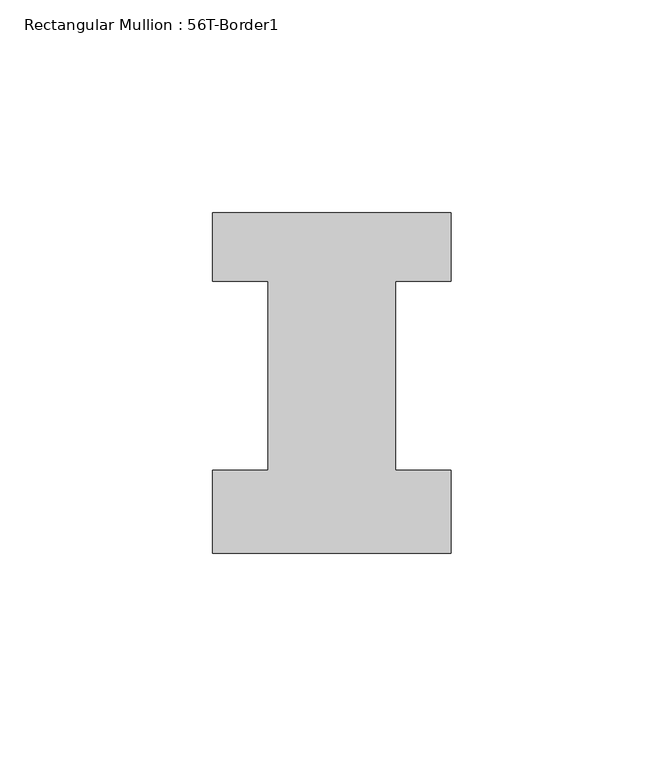
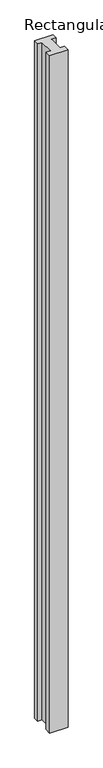
"""IFC4 building model written with IfcOpenShell, lengths in millimetres: member geometry, Rectangular Mullion : 56T-Border1."""

import ifcopenshell
import ifcopenshell.guid

model = None  # the IFC model being written
_history = None  # IfcOwnerHistory: only IFC2X3 demands one
_inside = {}  # id of a spatial element -> (the spatial element, [elements in it])
_under = {}  # id of a project, library or spatial element -> (it, [spatial elements below it])
_declared = {}  # id of a project -> (the project, [libraries it declares])
_typed = {}  # id of a type object -> (the type object, [elements of that type])
_made_of = {}  # id of a material, layer set ... -> (it, [elements and type objects made of it])


def new_model(schema):
    """Start an empty IFC model of exactly this schema.

    Asked for "IFC4X3", IfcOpenShell would pick the latest addendum, in which some entities
    have other attributes; the version numbers below select the first issue.
    IFC2X3 requires an IfcOwnerHistory on every rooted entity: one is made here for all.
    """
    global model, _history
    if schema == "IFC4X3":
        model = ifcopenshell.file(schema_version=(4, 3, 0, 0))
    else:
        model = ifcopenshell.file(schema=schema)
    _inside.clear()
    _under.clear()
    _declared.clear()
    _typed.clear()
    _made_of.clear()
    _history = None
    if model.schema == "IFC2X3":
        org = make("IfcOrganization", Name="unknown")
        user = make(
            "IfcPersonAndOrganization",
            ThePerson=make("IfcPerson", FamilyName="unknown"),
            TheOrganization=org,
        )
        app = make(
            "IfcApplication",
            ApplicationDeveloper=org,
            Version="unknown",
            ApplicationFullName="unknown",
            ApplicationIdentifier="unknown",
        )
        _history = make(
            "IfcOwnerHistory",
            OwningUser=user,
            OwningApplication=app,
            ChangeAction="ADDED",
            CreationDate=0,
        )
    return model


def make(cls, **values):
    """One entity of the class cls with the attributes given. An attribute that is None is left unset."""
    return model.create_entity(
        cls, **{name: value for name, value in values.items() if value is not None}
    )


def rooted(cls, **values):
    """An entity with a GlobalId (a new one), such as an element, a storey or a relation."""
    return make(cls, GlobalId=ifcopenshell.guid.new(), OwnerHistory=_history, **values)


def si_unit(unit_type, name, prefix=None):
    """IfcSIUnit, for example si_unit("LENGTHUNIT", "METRE", prefix="MILLI")."""
    return make("IfcSIUnit", UnitType=unit_type, Prefix=prefix, Name=name)


def assignment(units):
    """IfcUnitAssignment: the units of a project."""
    return None if units is None else make("IfcUnitAssignment", Units=units)


def point(xyz):
    """IfcCartesianPoint."""
    return None if xyz is None else make("IfcCartesianPoint", Coordinates=xyz)


def direction(xyz):
    """IfcDirection."""
    return None if xyz is None else make("IfcDirection", DirectionRatios=xyz)


def frame(location, z_axis=None, x_axis=None):
    """IfcAxis2Placement3D, a coordinate frame: its origin and axes. An axis left out is left unset."""
    return make(
        "IfcAxis2Placement3D",
        Location=point(location),
        Axis=direction(z_axis),
        RefDirection=direction(x_axis),
    )


def origin():
    """The frame at (0, 0, 0) with its axes left unset."""
    return frame((0.0, 0.0, 0.0))


def place(relative_to, where):
    """IfcLocalPlacement: puts the frame where relative to a parent placement (None: the world)."""
    return make(
        "IfcLocalPlacement", PlacementRelTo=relative_to, RelativePlacement=where
    )


def context(
    kind, dimensions, precision=None, world=None, true_north=None, identifier=None
):
    """IfcGeometricRepresentationContext, for example the 3D "Model" context."""
    return make(
        "IfcGeometricRepresentationContext",
        ContextIdentifier=identifier,
        ContextType=kind,
        CoordinateSpaceDimension=dimensions,
        Precision=precision,
        WorldCoordinateSystem=world,
        TrueNorth=true_north,
    )


def project(units=None, contexts=None):
    """IfcProject with its units and contexts."""
    return rooted(
        "IfcProject",
        Name="project",
        RepresentationContexts=contexts,
        UnitsInContext=assignment(units),
    )


def spatial(cls, under=None, at=None, **own):
    """A site, building, storey or space (cls), placed at a placement, below another one or the project."""
    s = rooted(cls, ObjectPlacement=at, **own)
    if under is not None:
        _under.setdefault(under.id(), (under, []))[1].append(s)
    return s


def polyline(points):
    """IfcPolyline through the points."""
    return make("IfcPolyline", Points=[point(p) for p in points])


def outline(outer, holes=None, kind="AREA"):
    """IfcArbitraryClosedProfileDef: a profile drawn as a closed curve; with holes, ...WithVoids."""
    if holes is None:
        return make("IfcArbitraryClosedProfileDef", ProfileType=kind, OuterCurve=outer)
    return make(
        "IfcArbitraryProfileDefWithVoids",
        ProfileType=kind,
        OuterCurve=outer,
        InnerCurves=holes,
    )


def extrude(swept, where, along, depth):
    """IfcExtrudedAreaSolid: the profile swept, set in the frame where, extruded along a direction by depth."""
    return make(
        "IfcExtrudedAreaSolid",
        SweptArea=swept,
        Position=where,
        ExtrudedDirection=direction(along),
        Depth=depth,
    )


def shape(context_of_items, identifier, shape_type, items):
    """IfcShapeRepresentation: the items that make up one representation, for example the "Body"."""
    return make(
        "IfcShapeRepresentation",
        ContextOfItems=context_of_items,
        RepresentationIdentifier=identifier,
        RepresentationType=shape_type,
        Items=items,
    )


def source(mapping_origin, context_of_items, identifier, shape_type, items):
    """IfcRepresentationMap: a shape defined once, which mapped items show again and again."""
    return make(
        "IfcRepresentationMap",
        MappingOrigin=mapping_origin,
        MappedRepresentation=shape(context_of_items, identifier, shape_type, items),
    )


def transform(
    local_origin,
    x_axis=None,
    y_axis=None,
    z_axis=None,
    scale=None,
    scale2=None,
    scale3=None,
    uniform=True,
):
    """IfcCartesianTransformationOperator3D, or its non-uniform kind. x_axis, y_axis, z_axis: its Axis1, 2, 3."""
    if uniform:
        return make(
            "IfcCartesianTransformationOperator3D",
            Axis1=direction(x_axis),
            Axis2=direction(y_axis),
            LocalOrigin=point(local_origin),
            Scale=scale,
            Axis3=direction(z_axis),
        )
    return make(
        "IfcCartesianTransformationOperator3DnonUniform",
        Axis1=direction(x_axis),
        Axis2=direction(y_axis),
        LocalOrigin=point(local_origin),
        Scale=scale,
        Axis3=direction(z_axis),
        Scale2=scale2,
        Scale3=scale3,
    )


def mapped(mapping_source, mapping_target):
    """IfcMappedItem: shows the shape of a source again, moved by a transform."""
    return make(
        "IfcMappedItem", MappingSource=mapping_source, MappingTarget=mapping_target
    )


def made_of(thing, what):
    """Note that an element or type object is made of a material, layer set ...; save() writes the relation."""
    if what is not None:
        _made_of.setdefault(what.id(), (what, []))[1].append(thing)
    return thing


def element(
    cls,
    number,
    at=None,
    inside=None,
    cuts=None,
    type_object=None,
    material=None,
    context=None,
    identifier="Body",
    shape_type=None,
    held_by="IfcProductDefinitionShape",
    body=None,
    shapes=None,
    **own,
):
    """One element of the class cls, such as IfcWall. Its Tag is "e" and its number.

    at: its placement. inside: the storey or other place that contains it. cuts: it is an
    opening in that element (IfcRelVoidsElement). A single representation is given by context,
    identifier, shape_type and body (its items); several are given by shapes. held_by: the class
    of the entity that holds the representations. save() writes the other relations.
    """
    e = rooted(cls, Tag="e%d" % number, ObjectPlacement=at, **own)
    if body is not None:
        shapes = [shape(context, identifier, shape_type, body)]
    if shapes is not None:
        e.Representation = make(held_by, Representations=shapes)
    if inside is not None:
        _inside.setdefault(inside.id(), (inside, []))[1].append(e)
    if cuts is not None:
        rooted(
            "IfcRelVoidsElement", RelatingBuildingElement=cuts, RelatedOpeningElement=e
        )
    if type_object is not None:
        _typed.setdefault(type_object.id(), (type_object, []))[1].append(e)
    return made_of(e, material)


def aggregate(whole, parts):
    """IfcRelAggregates: a whole, such as a stair, and the parts it consists of."""
    return rooted("IfcRelAggregates", RelatingObject=whole, RelatedObjects=parts)


def save(model, path):
    """Write the relations noted so far, then the file.

    IfcRelAggregates (storeys below a building ...), IfcRelContainedInSpatialStructure (elements
    in a storey), IfcRelDefinesByType, IfcRelAssociatesMaterial and IfcRelDeclares: one each for
    every whole, place, type object, material and project.
    """
    for whole, parts in _under.values():
        aggregate(whole, parts)
    for where, things in _inside.values():
        rooted(
            "IfcRelContainedInSpatialStructure",
            RelatedElements=things,
            RelatingStructure=where,
        )
    for kind, things in _typed.values():
        rooted("IfcRelDefinesByType", RelatedObjects=things, RelatingType=kind)
    for what, things in _made_of.values():
        rooted("IfcRelAssociatesMaterial", RelatedObjects=things, RelatingMaterial=what)
    for by, libraries in _declared.values():
        rooted("IfcRelDeclares", RelatingContext=by, RelatedDefinitions=libraries)
    model.write(path)


def rectangular_mullion_56t_border1_cf283313(model_context):
    return source(origin(), model_context, "Body", "SweptSolid", [
        extrude(outline(polyline([(-56.0, -20.0), (-56.0, -0.5), (-43.0, -0.5), (-43.0, 44.0), (-56.0, 44.0), (-56.0, 60.0), (0.0, 60.0), (0.0, 44.0), (-13.0, 44.0), (-13.0, -0.5), (0.0, -0.5), (0.0, -20.0), (-56.0, -20.0)])), frame((0.0, 0.0, -2200.0), z_axis=(0.0, 0.0, 1.0), x_axis=(1.0, 0.0, 0.0)), (0.0, 0.0, 1.0), 2200.0),
    ])


if __name__ == "__main__":
    model = new_model("IFC4")
    model_context = context("Model", 3, world=origin())
    ifc_project = project(units=[si_unit("LENGTHUNIT", "METRE", prefix="MILLI")], contexts=[model_context])
    site = spatial("IfcSite", under=ifc_project)
    building = spatial("IfcBuilding", under=site)
    placement = place(None, origin())
    rectangular_mullion_56t_border1_shape = rectangular_mullion_56t_border1_cf283313(model_context)
    element("IfcMember", 1, ObjectType="Rectangular Mullion : 56T-Border1", at=placement, inside=building, context=model_context, shape_type="MappedRepresentation", body=[
        mapped(rectangular_mullion_56t_border1_shape, transform((0.0, 0.0, 0.0), x_axis=(1.0, 0.0, 0.0), y_axis=(0.0, 1.0, 0.0), z_axis=(0.0, 0.0, 1.0))),
    ])
    save(model, "model.ifc")
